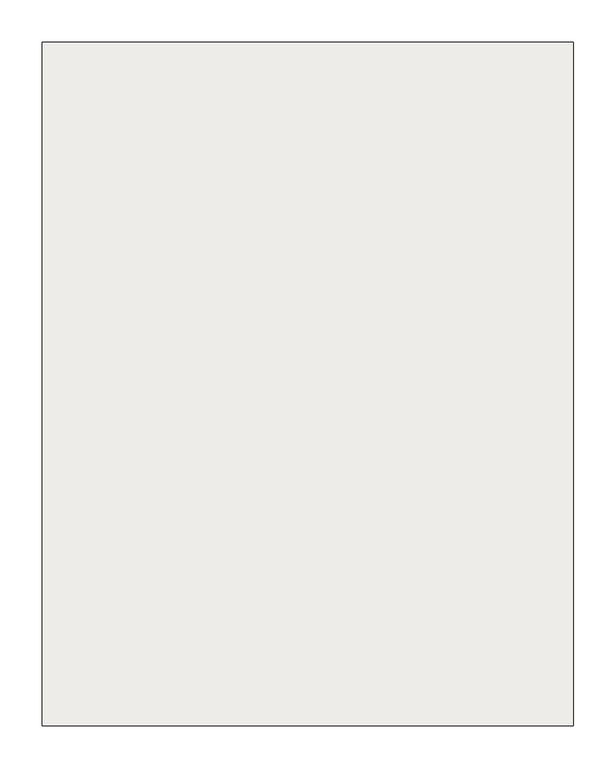
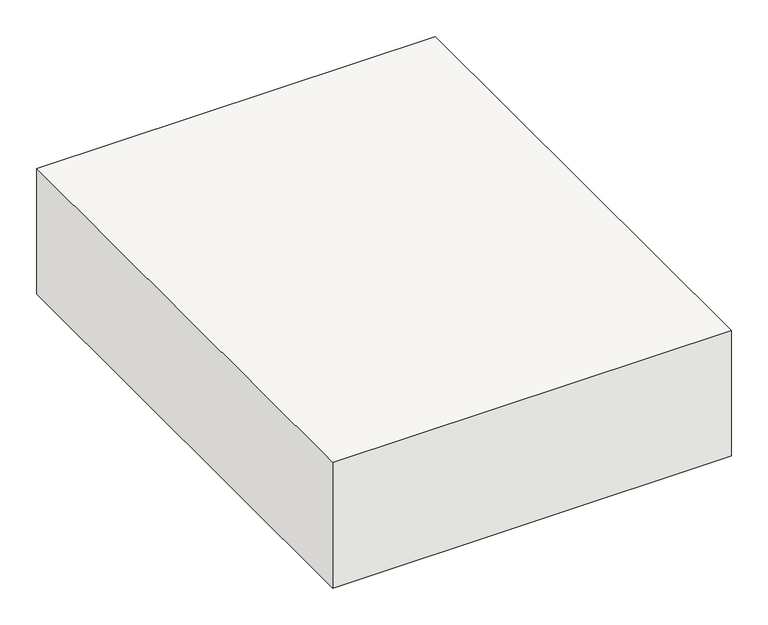
"""IFC4 building model written with IfcOpenShell, lengths in millimetres: slab geometry."""

from ifc_helpers import new_model, si_unit, frame, origin, place, context, project, spatial, polyline, outline, extrude, source, transform, mapped, element, save


def slab_45039095(model_context):
    return source(origin(), model_context, "Body", "SweptSolid", [
        extrude(outline(polyline([(5834.1270411, 2519.2068086), (5834.1270411, 3329.2068086), (6464.1270411, 3329.2068086), (6464.1270411, 2519.2068086), (5834.1270411, 2519.2068086)])), frame((0.0, 0.0, -670.0), z_axis=(0.0, 0.0, 1.0), x_axis=(1.0, 0.0, 0.0)), (0.0, 0.0, 1.0), 210.0),
    ])


if __name__ == "__main__":
    model = new_model("IFC4")
    model_context = context("Model", 3, world=origin())
    ifc_project = project(units=[si_unit("LENGTHUNIT", "METRE", prefix="MILLI")], contexts=[model_context])
    site = spatial("IfcSite", under=ifc_project)
    building = spatial("IfcBuilding", under=site)
    placement = place(None, origin())
    slab_shape = slab_45039095(model_context)
    element("IfcSlab", 1, at=placement, inside=building, context=model_context, shape_type="MappedRepresentation", body=[
        mapped(slab_shape, transform((0.0, 0.0, 0.0), x_axis=(1.0, 0.0, 0.0), y_axis=(0.0, 1.0, 0.0), z_axis=(0.0, 0.0, 1.0))),
    ])
    save(model, "model.ifc")
